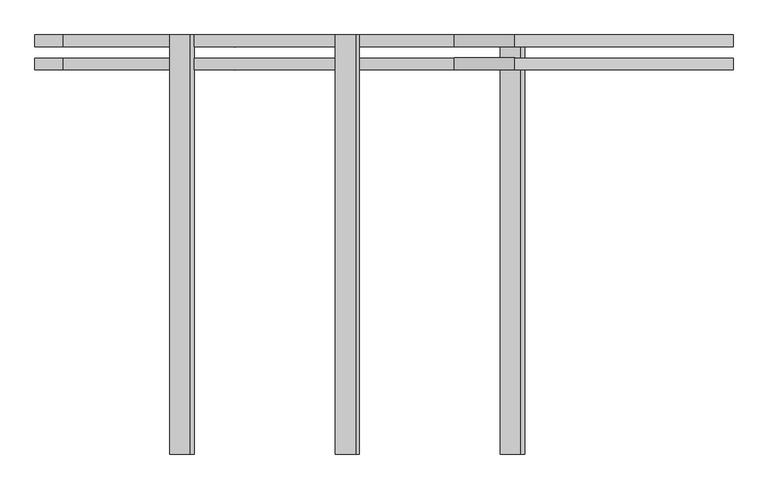
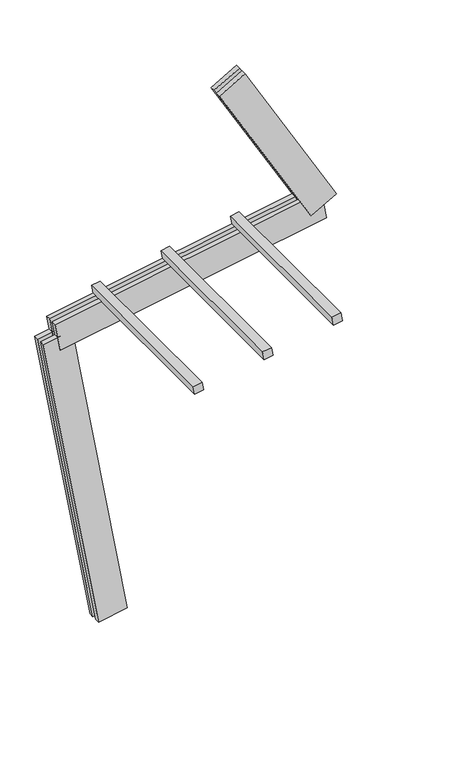
"""IFC4 building model written with IfcOpenShell, lengths in millimetres: proxy geometry."""

from ifc_helpers import new_model, si_unit, frame, origin, place, context, project, spatial, polyline, outline, extrude, source, transform, mapped, element, save


def generic_models_6661f06e(model_context):
    return source(origin(), model_context, "Body", "SweptSolid", [
        extrude(outline(polyline([(1500.0, 0.0), (1500.0, -75.0), (0.0, -75.0), (0.0, 0.0), (1500.0, 0.0)])), frame((-22.7724192, 62.5, 2864.5647867), z_axis=(-0.17364817766693003, 0.0, 0.9848077530122082), x_axis=(0.0, -1.0, 0.0)), (0.0, 0.0, 1.0), 75.0),
        extrude(outline(polyline([(1500.0, 0.0), (1500.0, -75.0), (0.0, -75.0), (0.0, 0.0), (1500.0, 0.0)])), frame((568.1122326, 62.5, 2968.7536933), z_axis=(-0.17364817766693003, 0.0, 0.9848077530122082), x_axis=(0.0, -1.0, 0.0)), (0.0, 0.0, 1.0), 75.0),
        extrude(outline(polyline([(1500.0, 0.0), (1500.0, -75.0), (0.0, -75.0), (0.0, 0.0), (1500.0, 0.0)])), frame((1158.9968844, 62.5, 3072.9425999), z_axis=(-0.17364817766693003, 0.0, 0.9848077530122082), x_axis=(0.0, -1.0, 0.0)), (0.0, 0.0, 1.0), 75.0),
        extrude(outline(polyline([(125.0, 0.0), (125.0, -250.0), (82.5, -250.0), (82.5, 0.0), (125.0, 0.0)])), frame((1687.9545768, -62.5, 2995.8717418), z_axis=(-0.49999999999999817, 0.0, 0.8660254037844397), x_axis=(0.0, 1.0, 0.0)), (0.0, 0.0, 1.0), 1560.0),
        extrude(outline(polyline([(0.0, -250.0), (0.0, 0.0), (42.5, 0.0), (42.5, -250.0), (0.0, -250.0)])), frame((1687.9545768, -62.5, 2995.8717418), z_axis=(-0.49999999999999817, 0.0, 0.8660254037844397), x_axis=(0.0, 1.0, 0.0)), (0.0, 0.0, 1.0), 1560.0),
        extrude(outline(polyline([(2300.0, -125.0), (0.0, -125.0), (0.0, -82.5), (2300.0, -82.5), (2300.0, -125.0)])), frame((1817.9137744, -62.5, 2935.2707726), z_axis=(-0.17364817766693003, 0.0, 0.9848077530122082), x_axis=(-0.9848077530122082, 0.0, -0.17364817766693003)), (0.0, 0.0, 1.0), 250.0),
        extrude(outline(polyline([(0.0, 0.0), (2300.0, 0.0), (2300.0, -42.5), (0.0, -42.5), (0.0, 0.0)])), frame((1817.9137744, -62.5, 2935.2707726), z_axis=(-0.17364817766693003, 0.0, 0.9848077530122082), x_axis=(-0.9848077530122082, 0.0, -0.17364817766693003)), (0.0, 0.0, 1.0), 250.0),
        extrude(outline(polyline([(-125.0, -249.9999999), (-125.0, 0.0), (-82.5, 0.0), (-82.5, -249.9999999), (-125.0, -249.9999999)])), frame((123.1009691, -62.5, 21.7060222), z_axis=(-0.17364817766693158, 0.0, 0.9848077530122079), x_axis=(0.0, -1.0, 0.0)), (0.0, 0.0, 1.0), 2700.0),
        extrude(outline(polyline([(0.0, 0.0), (0.0, -249.9999999), (-42.5, -249.9999999), (-42.5, 0.0), (0.0, 0.0)])), frame((123.1009691, -62.5, 21.7060222), z_axis=(-0.17364817766693158, 0.0, 0.9848077530122079), x_axis=(0.0, -1.0, 0.0)), (0.0, 0.0, 1.0), 2700.0),
    ])


if __name__ == "__main__":
    model = new_model("IFC4")
    model_context = context("Model", 3, world=origin())
    ifc_project = project(units=[si_unit("LENGTHUNIT", "METRE", prefix="MILLI")], contexts=[model_context])
    site = spatial("IfcSite", under=ifc_project)
    building = spatial("IfcBuilding", under=site)
    placement = place(None, origin())
    generic_models_shape = generic_models_6661f06e(model_context)
    element("IfcBuildingElementProxy", 1, Name="Generic Models", at=placement, inside=building, context=model_context, shape_type="MappedRepresentation", body=[
        mapped(generic_models_shape, transform((0.0, 0.0, 0.0), x_axis=(1.0, 0.0, 0.0), y_axis=(0.0, 1.0, 0.0), z_axis=(0.0, 0.0, 1.0))),
    ])
    save(model, "model.ifc")
